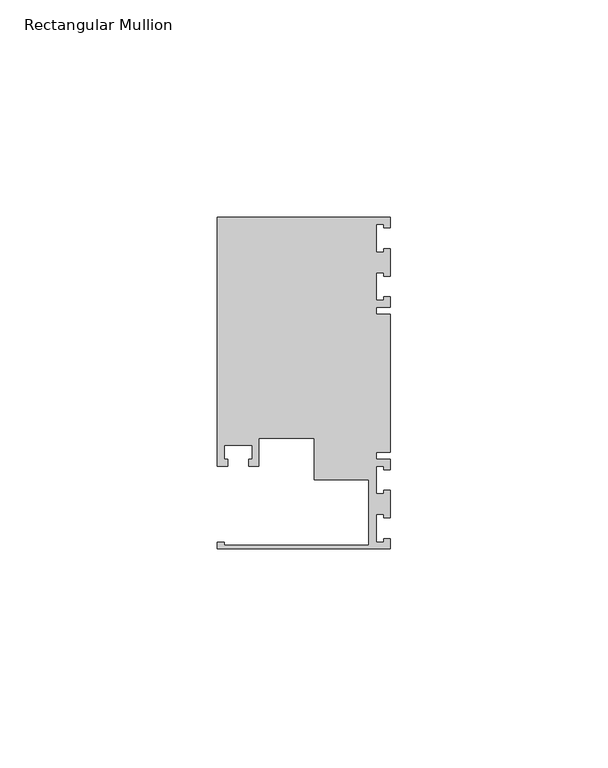
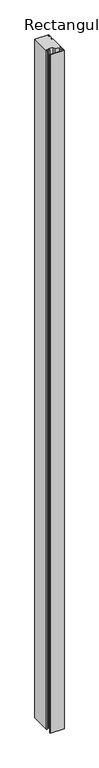
"""IFC4 building model written with IfcOpenShell, lengths in millimetres: member geometry, Rectangular Mullion."""

from ifc_helpers import new_model, si_unit, frame, origin, place, context, project, spatial, polyline, outline, extrude, source, transform, mapped, element, save


def rectangular_mullion_5a664b74(model_context):
    return source(origin(), model_context, "Body", "SweptSolid", [
        extrude(outline(polyline([(0.0, -38.1), (-39.6875, -38.1), (-39.6875, -36.5125), (-38.1, -36.5125), (-38.1, -37.30625), (-4.8585733, -37.30625), (-4.8585733, -22.225), (-17.4625, -22.225), (-17.4625, -12.6999969), (-30.1625, -12.6999969), (-30.1625, -19.05), (-32.54375, -19.05), (-32.54375, -17.4625), (-31.75, -17.4625), (-31.75, -14.2875), (-38.1, -14.2875), (-38.1, -17.4625), (-37.30625, -17.4625), (-37.30625, -19.05), (-39.6875, -19.05), (-39.6875, 38.1), (0.0, 38.1), (0.0, 35.71875), (-1.4999946, 35.71875), (-1.4999946, 36.5125), (-3.175, 36.5125), (-3.175, 30.1625), (-1.4999946, 30.1625), (-1.4999946, 30.95625), (0.0, 30.95625), (0.0, 24.60625), (-1.4999946, 24.60625), (-1.4999946, 25.4), (-3.175, 25.4), (-3.175, 19.05), (-1.4999946, 19.05), (-1.4999946, 19.84375), (0.0, 19.84375), (0.0, 17.4625), (-3.175, 17.4625), (-3.175, 15.875), (0.0, 15.875), (0.0, -15.875), (-3.175, -15.875), (-3.175, -17.4625), (0.0, -17.4625), (0.0, -19.84375), (-1.4999946, -19.84375), (-1.4999946, -19.05), (-3.175, -19.05), (-3.175, -25.4), (-1.4999946, -25.4), (-1.4999946, -24.60625), (0.0, -24.60625), (0.0, -30.95625), (-1.4999946, -30.95625), (-1.4999946, -30.1625), (-3.175, -30.1625), (-3.175, -36.5125), (-1.4999946, -36.5125), (-1.4999946, -35.71875), (0.0, -35.71875), (0.0, -38.1)])), frame((0.0, 0.0, -2057.4), z_axis=(0.0, 0.0, 1.0), x_axis=(1.0, 0.0, 0.0)), (0.0, 0.0, 1.0), 2057.4),
    ])


if __name__ == "__main__":
    model = new_model("IFC4")
    model_context = context("Model", 3, world=origin())
    ifc_project = project(units=[si_unit("LENGTHUNIT", "METRE", prefix="MILLI")], contexts=[model_context])
    site = spatial("IfcSite", under=ifc_project)
    building = spatial("IfcBuilding", under=site)
    placement = place(None, origin())
    rectangular_mullion_shape = rectangular_mullion_5a664b74(model_context)
    element("IfcMember", 1, ObjectType="Rectangular Mullion", at=placement, inside=building, context=model_context, shape_type="MappedRepresentation", body=[
        mapped(rectangular_mullion_shape, transform((0.0, 0.0, 0.0), x_axis=(1.0, 0.0, 0.0), y_axis=(0.0, 1.0, 0.0), z_axis=(0.0, 0.0, 1.0))),
    ])
    save(model, "model.ifc")
